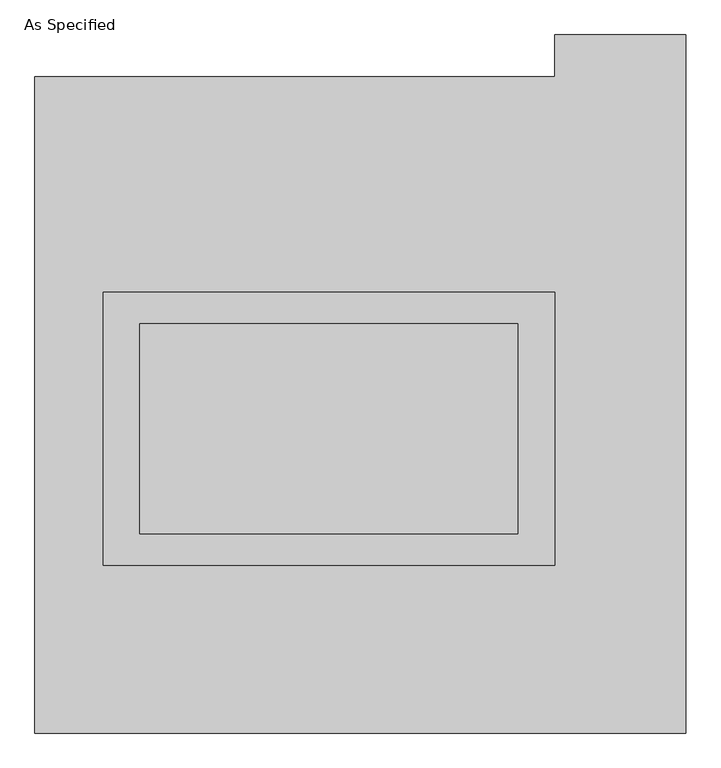
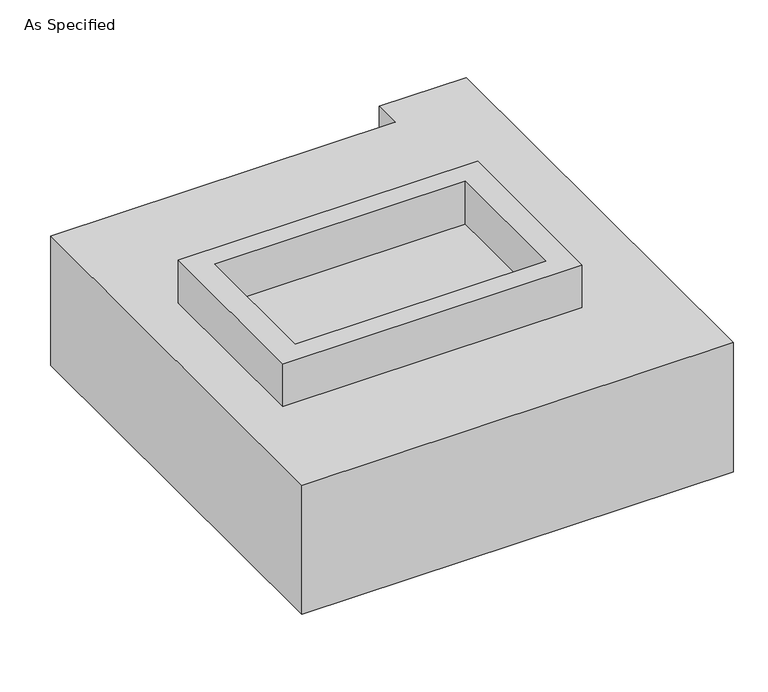
"""IFC4 building model written with IfcOpenShell, lengths in millimetres: proxy geometry, As Specified."""

from ifc_helpers import new_model, si_unit, frame, origin, place, context, project, spatial, polyline, outline, extrude, source, transform, mapped, element, save


def as_specified_f97be6d7(model_context):
    return source(origin(), model_context, "Body", "SweptSolid", [
        extrude(outline(polyline([(546.1, 273.05), (546.1, -387.35), (-546.1, -387.35), (-546.1, 273.05), (546.1, 273.05)]), holes=[polyline([(457.2, 196.85), (-457.2, 196.85), (-457.2, -311.15), (457.2, -311.15), (457.2, 196.85)])]), frame((0.0, 0.0, -688.975), z_axis=(0.0, 0.0, 1.0), x_axis=(1.0, 0.0, 0.0)), (0.0, 0.0, 1.0), 165.1),
        extrude(outline(polyline([(546.1, 273.05), (546.1, -387.35), (-546.1, -387.35), (-546.1, 273.05), (546.1, 273.05)]), holes=[polyline([(457.2, 196.85), (-457.2, 196.85), (-457.2, -311.15), (457.2, -311.15), (457.2, 196.85)])]), frame((0.0, 0.0, -25.4), z_axis=(0.0, 0.0, 1.0), x_axis=(1.0, 0.0, 0.0)), (0.0, 0.0, 1.0), 165.1),
        extrude(outline(polyline([(457.2, 196.85), (457.2, -311.15), (-457.2, -311.15), (-457.2, 196.85), (457.2, 196.85)])), frame((0.0, 0.0, -523.875), z_axis=(0.0, 0.0, 1.0), x_axis=(1.0, 0.0, 0.0)), (0.0, 0.0, 1.0), 4.9609375),
        extrude(outline(polyline([(457.2, 196.85), (457.2, -311.15), (-457.2, -311.15), (-457.2, 196.85), (457.2, 196.85)])), frame((0.0, 0.0, -30.3609375), z_axis=(0.0, 0.0, 1.0), x_axis=(1.0, 0.0, 0.0)), (0.0, 0.0, 1.0), 4.9609375),
        extrude(outline(polyline([(863.6, -793.75), (-711.2, -793.75), (-711.2, 793.75), (546.1, 793.75), (546.1, 895.35), (863.6, 895.35), (863.6, -793.75)]), holes=[polyline([(-546.1, 273.05), (-546.1, -387.35), (546.1, -387.35), (546.1, 273.05), (-546.1, 273.05)])]), frame((0.0, 0.0, -523.875), z_axis=(0.0, 0.0, 1.0), x_axis=(1.0, 0.0, 0.0)), (0.0, 0.0, 1.0), 498.475),
    ])


if __name__ == "__main__":
    model = new_model("IFC4")
    model_context = context("Model", 3, world=origin())
    ifc_project = project(units=[si_unit("LENGTHUNIT", "METRE", prefix="MILLI")], contexts=[model_context])
    site = spatial("IfcSite", under=ifc_project)
    building = spatial("IfcBuilding", under=site)
    placement = place(None, origin())
    as_specified_shape = as_specified_f97be6d7(model_context)
    element("IfcBuildingElementProxy", 1, Name="As Specified", ObjectType="As Specified", at=placement, inside=building, context=model_context, shape_type="MappedRepresentation", body=[
        mapped(as_specified_shape, transform((0.0, 0.0, 0.0), x_axis=(1.0, 0.0, 0.0), y_axis=(0.0, 1.0, 0.0), z_axis=(0.0, 0.0, 1.0))),
    ])
    save(model, "model.ifc")
